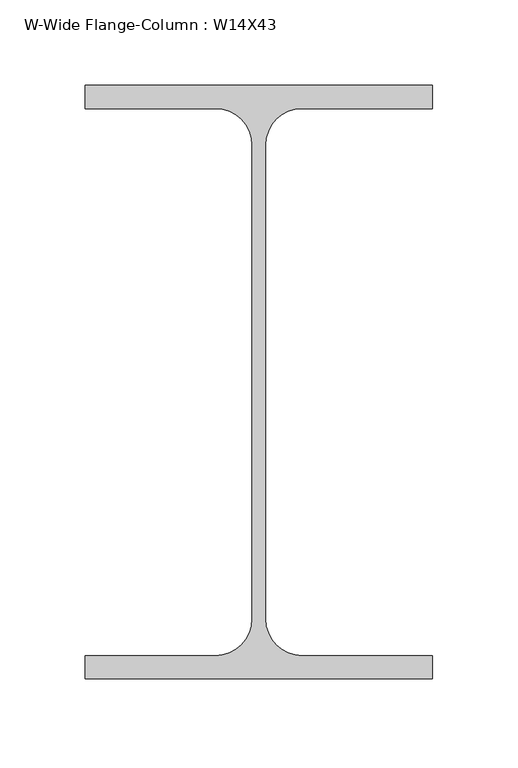
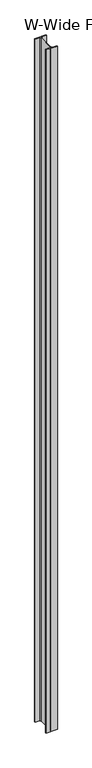
"""IFC4 building model written with IfcOpenShell, lengths in millimetres: column geometry, W-Wide Flange-Column : W14X43."""

from ifc_helpers import new_model, si_unit, point, frame, frame_2d, origin, place, context, project, spatial, polyline, circle_curve, trimmed, segment, composite_curve, outline, extrude, source, transform, mapped, element, save


def w_wide_flange_column_w14x43_266e5768(model_context):
    return source(origin(), model_context, "Body", "SweptSolid", [
        extrude(outline(composite_curve([segment(polyline([(101.5503906, 173.4839844), (101.5503906, 159.9902344), (25.3007812, 159.9902344)]), True, "CONTINUOUS"), segment(trimmed(circle_curve(frame_2d((25.3007812, 138.5589844)), 21.43125), [point((25.3007812, 159.9902344))], [point((3.8695312, 138.5589844))], True, "CARTESIAN"), True, "CONTINUOUS"), segment(polyline([(3.8695312, 138.5589844), (3.8695312, -138.5589844)]), True, "CONTINUOUS"), segment(trimmed(circle_curve(frame_2d((25.3007812, -138.5589844)), 21.43125), [point((3.8695312, -138.5589844))], [point((25.3007812, -159.9902344))], True, "CARTESIAN"), True, "CONTINUOUS"), segment(polyline([(25.3007812, -159.9902344), (101.5503906, -159.9902344), (101.5503906, -173.4839844), (-101.5503906, -173.4839844), (-101.5503906, -159.9902344), (-25.3007813, -159.9902344)]), True, "CONTINUOUS"), segment(trimmed(circle_curve(frame_2d((-25.3007813, -138.5589844)), 21.43125), [point((-25.3007813, -159.9902344))], [point((-3.8695313, -138.5589844))], True, "CARTESIAN"), True, "CONTINUOUS"), segment(polyline([(-3.8695313, -138.5589844), (-3.8695313, 138.5589844)]), True, "CONTINUOUS"), segment(trimmed(circle_curve(frame_2d((-25.3007813, 138.5589844)), 21.43125), [point((-3.8695313, 138.5589844))], [point((-25.3007813, 159.9902344))], True, "CARTESIAN"), True, "CONTINUOUS"), segment(polyline([(-25.3007813, 159.9902344), (-101.5503906, 159.9902344), (-101.5503906, 173.4839844), (101.5503906, 173.4839844)]), True, "CONTINUOUS")], self_intersect=False)), frame((0.0, 0.0, 73380.6), z_axis=(0.0, 0.0, 1.0), x_axis=(1.0, 0.0, 0.0)), (0.0, 0.0, 1.0), 12877.8),
    ])


if __name__ == "__main__":
    model = new_model("IFC4")
    model_context = context("Model", 3, world=origin())
    ifc_project = project(units=[si_unit("LENGTHUNIT", "METRE", prefix="MILLI")], contexts=[model_context])
    site = spatial("IfcSite", under=ifc_project)
    building = spatial("IfcBuilding", under=site)
    placement = place(None, origin())
    w_wide_flange_column_w14x43_shape = w_wide_flange_column_w14x43_266e5768(model_context)
    element("IfcColumn", 1, ObjectType="W-Wide Flange-Column : W14X43", at=placement, inside=building, context=model_context, shape_type="MappedRepresentation", body=[
        mapped(w_wide_flange_column_w14x43_shape, transform((0.0, 0.0, 0.0), x_axis=(1.0, 0.0, 0.0), y_axis=(0.0, 1.0, 0.0), z_axis=(0.0, 0.0, 1.0))),
    ])
    save(model, "model.ifc")
